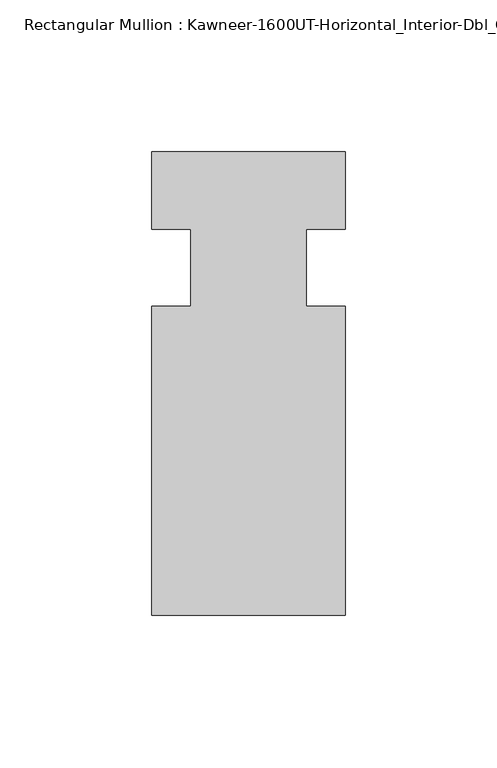
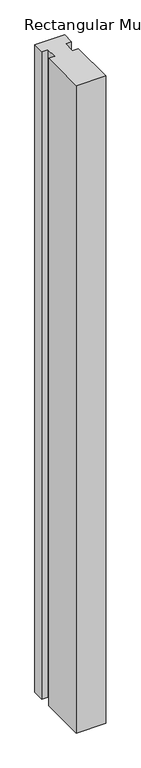
"""IFC4 building model written with IfcOpenShell, lengths in millimetres: member geometry."""

from ifc_helpers import new_model, si_unit, frame, origin, place, context, project, spatial, polyline, outline, extrude, source, transform, mapped, element, save


def member_aa81e341(model_context):
    return source(origin(), model_context, "Body", "SweptSolid", [
        extrude(outline(polyline([(31.75, -114.3), (-31.75, -114.3), (-31.75, -12.7), (-19.05, -12.7), (-19.05, 12.7), (-31.75, 12.7), (-31.75, 38.1), (31.75, 38.1), (31.75, 12.7), (19.05, 12.7), (19.05, -12.7), (31.75, -12.7), (31.75, -114.3)])), frame((0.0, 0.0, -1463.675), z_axis=(0.0, 0.0, 1.0), x_axis=(1.0, 0.0, 0.0)), (0.0, 0.0, 1.0), 1463.675),
    ])


if __name__ == "__main__":
    model = new_model("IFC4")
    model_context = context("Model", 3, world=origin())
    ifc_project = project(units=[si_unit("LENGTHUNIT", "METRE", prefix="MILLI")], contexts=[model_context])
    site = spatial("IfcSite", under=ifc_project)
    building = spatial("IfcBuilding", under=site)
    placement = place(None, origin())
    member_shape = member_aa81e341(model_context)
    element("IfcMember", 1, ObjectType="Rectangular Mullion : Kawneer-1600UT-Horizontal_Interior-Dbl_Glass-6\"", at=placement, inside=building, context=model_context, shape_type="MappedRepresentation", body=[
        mapped(member_shape, transform((0.0, 0.0, 0.0), x_axis=(1.0, 0.0, 0.0), y_axis=(0.0, 1.0, 0.0), z_axis=(0.0, 0.0, 1.0))),
    ])
    save(model, "model.ifc")
